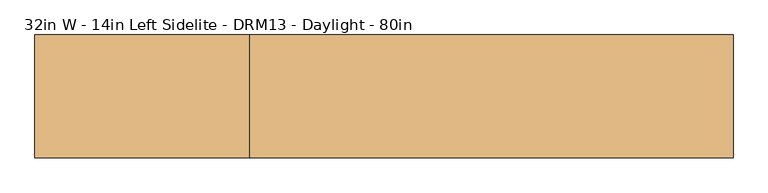
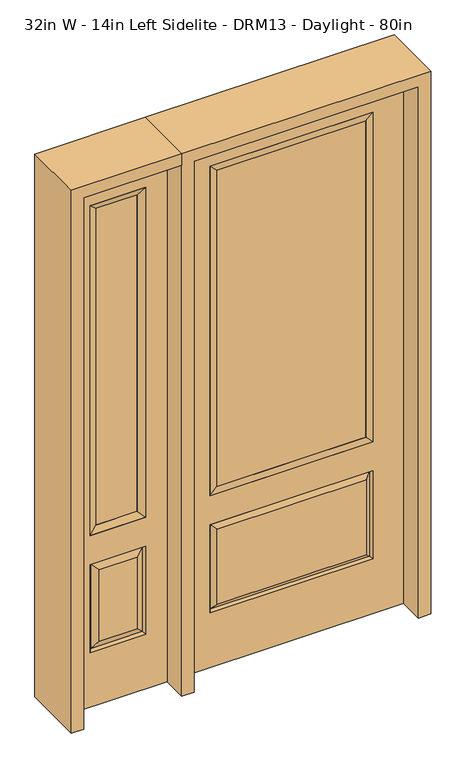
"""IFC4 building model written with IfcOpenShell, lengths in millimetres: door geometry, 32in W - 14in Left Sidelite - DRM13 - Daylight - 80in."""

from ifc_helpers import new_model, si_unit, frame, origin, place, context, project, spatial, polyline, outline, extrude, faceted_brep, source, transform, mapped, element, save


def door_32in_w_14in_left_sidelite_drm13_daylight_80in_56f27db4(model_context):
    return source(origin(), model_context, "Body", "SolidModel", [
        faceted_brep([(-806.45, -22.225, 0.0), (-450.85, -22.225, 0.0), (-450.85, -22.225, 2032.0), (-806.45, -22.225, 2032.0), (-528.32, -22.225, 1919.224), (-528.32, -22.225, 657.098), (-728.98, -22.225, 657.098), (-728.98, -22.225, 1919.224), (-528.32, -22.225, 209.55), (-728.98, -22.225, 209.55), (-728.98, -22.225, 546.1), (-528.32, -22.225, 546.1), (-697.2648999, -22.225, 241.2651001), (-560.0351001, -22.225, 241.2651001), (-560.0351001, -22.225, 514.3848999), (-697.2648999, -22.225, 514.3848999), (-806.45, 22.225, 0.0), (-806.45, 22.225, 2032.0), (-450.85, 22.225, 2032.0), (-450.85, 22.225, 0.0), (-528.32, 22.225, 1919.224), (-728.98, 22.225, 1919.224), (-728.98, 22.225, 657.098), (-528.32, 22.225, 657.098), (-728.98, 22.225, 209.55), (-528.32, 22.225, 209.55), (-528.32, 22.225, 546.1), (-728.98, 22.225, 546.1), (-560.0351001, 22.225, 241.2651001), (-697.2648999, 22.225, 241.2651001), (-697.2648999, 22.225, 514.3848999), (-560.0351001, 22.225, 514.3848999), (-535.4288501, 12.7912373, 216.6588501), (-721.8711499, 12.7912373, 216.6588501), (-721.8711499, 12.7912373, 538.9911499), (-535.4288501, 12.7912373, 538.9911499), (-721.8711499, -12.7912373, 216.6588501), (-535.4288501, -12.7912373, 216.6588501), (-721.8711499, -12.7912373, 538.9911499), (-535.4288501, -12.7912373, 538.9911499)], [[[0, 1, 2, 3], [4, 5, 6, 7], [8, 9, 10, 11]], [[12, 13, 14, 15]], [[16, 17, 18, 19], [20, 21, 22, 23], [24, 25, 26, 27]], [[28, 29, 30, 31]], [[1, 0, 16, 19]], [[2, 1, 19, 18]], [[3, 2, 18, 17]], [[0, 3, 17, 16]], [[5, 4, 20, 23]], [[6, 5, 23, 22]], [[7, 6, 22, 21]], [[4, 7, 21, 20]], [[32, 33, 29, 28]], [[33, 32, 25, 24]], [[29, 33, 34, 30]], [[33, 24, 27, 34]], [[30, 34, 35, 31]], [[34, 27, 26, 35]], [[32, 28, 31, 35]], [[25, 32, 35, 26]], [[12, 36, 37, 13]], [[37, 36, 9, 8]], [[36, 12, 15, 38]], [[9, 36, 38, 10]], [[38, 15, 14, 39]], [[10, 38, 39, 11]], [[13, 37, 39, 14]], [[37, 8, 11, 39]]]),
        faceted_brep([(-728.98, 22.225, 1919.224), (-728.98, -22.225, 1919.224), (-528.32, -22.225, 1919.224), (-528.32, 22.225, 1919.224), (-703.58, 12.7, 1893.824), (-553.72, 12.7, 1893.824), (-703.58, -12.7, 1893.824), (-553.72, -12.7, 1893.824), (-528.32, -22.225, 657.098), (-528.32, 22.225, 657.098), (-553.72, 12.7, 682.498), (-553.72, -12.7, 682.498), (-728.98, -22.225, 657.098), (-728.98, 22.225, 657.098), (-703.58, 12.7, 682.498), (-703.58, -12.7, 682.498)], [[[0, 1, 2, 3]], [[4, 0, 3, 5]], [[6, 4, 5, 7]], [[1, 6, 7, 2]], [[3, 2, 8, 9]], [[5, 3, 9, 10]], [[7, 5, 10, 11]], [[2, 7, 11, 8]], [[9, 8, 12, 13]], [[10, 9, 13, 14]], [[11, 10, 14, 15]], [[8, 11, 15, 12]], [[13, 12, 1, 0]], [[14, 13, 0, 4]], [[15, 14, 4, 6]], [[12, 15, 6, 1]]]),
        extrude(outline(polyline([(-553.72, -12.7), (-703.58, -12.7), (-703.58, 12.7), (-553.72, 12.7), (-553.72, -12.7)])), frame((0.0, 0.0, 682.498), z_axis=(0.0, 0.0, 1.0), x_axis=(1.0, 0.0, 0.0)), (0.0, 0.0, 1.0), 1211.326),
        faceted_brep([(-288.1661499, -12.7912373, 216.6588501), (288.1661499, -12.7912373, 216.6588501), (270.66875, -22.225, 234.15625), (-270.66875, -22.225, 234.15625), (-295.275, -22.225, 209.55), (295.275, -22.225, 209.55), (-288.1661499, -12.7912373, 538.9911499), (-295.275, -22.225, 546.1), (270.66875, -22.225, 521.49375), (-270.66875, -22.225, 521.49375), (406.4, -22.225, 2032.0), (-406.4, -22.225, 2032.0), (-406.4, -22.225, 0.0), (406.4, -22.225, 0.0), (295.275, -22.225, 546.1), (295.275, -22.225, 1917.7), (295.275, -22.225, 657.098), (-295.275, -22.225, 657.098), (-295.275, -22.225, 1917.7), (288.1661499, -12.7912373, 538.9911499), (-406.4, 22.225, 2032.0), (-406.4, 22.225, 0.0), (406.4, 22.225, 0.0), (406.4, 22.225, 2032.0), (295.275, 22.225, 1917.7), (295.275, 22.225, 657.098), (-295.275, 22.225, 657.098), (-295.275, 22.225, 1917.7), (-295.275, 22.225, 209.55), (295.275, 22.225, 209.55), (295.275, 22.225, 546.1), (-295.275, 22.225, 546.1), (270.66875, 22.225, 234.15625), (-270.66875, 22.225, 234.15625), (-270.66875, 22.225, 521.49375), (270.66875, 22.225, 521.49375), (-288.1661499, 12.7912373, 216.6588501), (288.1661499, 12.7912373, 216.6588501), (288.1661499, 12.7912373, 538.9911499), (-288.1661499, 12.7912373, 538.9911499)], [[[0, 1, 2, 3]], [[1, 0, 4, 5]], [[4, 0, 6, 7]], [[3, 2, 8, 9]], [[10, 11, 12, 13], [5, 4, 7, 14], [15, 16, 17, 18]], [[1, 5, 14, 19]], [[2, 1, 19, 8]], [[0, 3, 9, 6]], [[7, 6, 19, 14]], [[6, 9, 8, 19]], [[12, 11, 20, 21]], [[13, 12, 21, 22]], [[10, 13, 22, 23]], [[16, 15, 24, 25]], [[17, 16, 25, 26]], [[18, 17, 26, 27]], [[23, 22, 21, 20], [28, 29, 30, 31], [24, 27, 26, 25]], [[32, 33, 34, 35]], [[28, 36, 37, 29]], [[29, 37, 38, 30]], [[39, 31, 30, 38]], [[36, 28, 31, 39]], [[37, 36, 33, 32]], [[33, 36, 39, 34]], [[34, 39, 38, 35]], [[37, 32, 35, 38]], [[11, 10, 23, 20]], [[15, 18, 27, 24]]]),
        faceted_brep([(-295.275, -22.225, 1917.7), (-295.275, 22.225, 1917.7), (-295.275, 22.225, 657.098), (-295.275, -22.225, 657.098), (295.275, 22.225, 657.098), (295.275, -22.225, 657.098), (-269.875, 5.08, 682.498), (269.875, 5.08, 682.498), (295.275, 22.225, 1917.7), (295.275, -22.225, 1917.7), (-269.875, -20.32, 682.498), (269.875, -20.32, 682.498), (-269.875, -20.32, 1892.3), (269.875, -20.32, 1892.3), (-269.875, 5.08, 1892.3), (269.875, 5.08, 1892.3)], [[[0, 1, 2, 3]], [[3, 2, 4, 5]], [[2, 6, 7, 4]], [[5, 4, 8, 9]], [[10, 3, 5, 11]], [[12, 0, 3, 10]], [[11, 5, 9, 13]], [[6, 10, 11, 7]], [[14, 12, 10, 6]], [[7, 11, 13, 15]], [[1, 14, 6, 2]], [[4, 7, 15, 8]], [[9, 8, 1, 0]], [[13, 9, 0, 12]], [[15, 13, 12, 14]], [[8, 15, 14, 1]]]),
        extrude(outline(polyline([(269.875, -20.32), (-269.875, -20.32), (-269.875, 5.08), (269.875, 5.08), (269.875, -20.32)])), frame((0.0, 0.0, 682.498), z_axis=(0.0, 0.0, 1.0), x_axis=(1.0, 0.0, 0.0)), (0.0, 0.0, 1.0), 1209.802),
        extrude(outline(polyline([(2032.0, -450.85), (2076.45, -450.85), (2076.45, -850.9), (0.0, -850.9), (0.0, -806.45), (2032.0, -806.45), (2032.0, -450.85)])), frame((0.0, -114.3, 0.0), z_axis=(0.0, 1.0, 0.0), x_axis=(0.0, 0.0, 1.0)), (0.0, 0.0, 1.0), 228.6),
        extrude(outline(polyline([(2076.45, -450.85), (0.0, -450.85), (0.0, -406.4), (2032.0, -406.4), (2032.0, 406.4), (0.0, 406.4), (0.0, 450.85), (2076.45, 450.85), (2076.45, -450.85)])), frame((0.0, -114.3, 0.0), z_axis=(0.0, 1.0, 0.0), x_axis=(0.0, 0.0, 1.0)), (0.0, 0.0, 1.0), 228.6),
    ])


if __name__ == "__main__":
    model = new_model("IFC4")
    model_context = context("Model", 3, world=origin())
    ifc_project = project(units=[si_unit("LENGTHUNIT", "METRE", prefix="MILLI")], contexts=[model_context])
    site = spatial("IfcSite", under=ifc_project)
    building = spatial("IfcBuilding", under=site)
    placement = place(None, origin())
    door_32in_w_14in_left_sidelite_drm13_daylight_80in_shape = door_32in_w_14in_left_sidelite_drm13_daylight_80in_56f27db4(model_context)
    element("IfcDoor", 1, ObjectType="32in W - 14in Left Sidelite - DRM13 - Daylight - 80in", at=placement, inside=building, context=model_context, shape_type="MappedRepresentation", body=[
        mapped(door_32in_w_14in_left_sidelite_drm13_daylight_80in_shape, transform((0.0, 0.0, 0.0), x_axis=(1.0, 0.0, 0.0), y_axis=(0.0, 1.0, 0.0), z_axis=(0.0, 0.0, 1.0))),
    ])
    save(model, "model.ifc")
